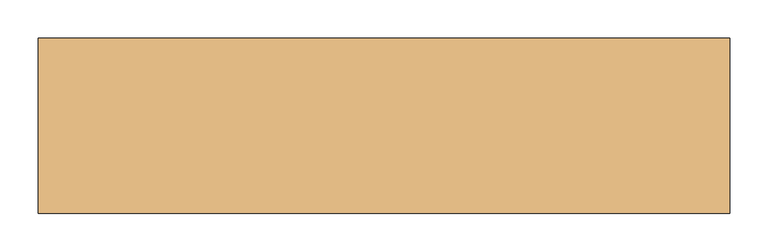
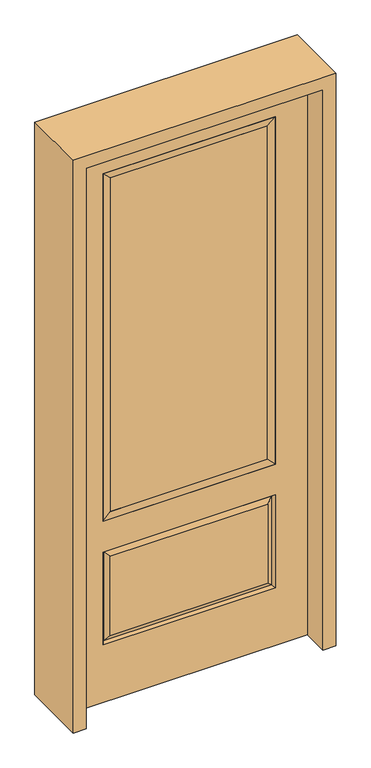
"""IFC4 building model written with IfcOpenShell, lengths in millimetres: door geometry."""

import ifcopenshell
import ifcopenshell.guid

model = None  # the IFC model being written
_history = None  # IfcOwnerHistory: only IFC2X3 demands one
_inside = {}  # id of a spatial element -> (the spatial element, [elements in it])
_under = {}  # id of a project, library or spatial element -> (it, [spatial elements below it])
_declared = {}  # id of a project -> (the project, [libraries it declares])
_typed = {}  # id of a type object -> (the type object, [elements of that type])
_made_of = {}  # id of a material, layer set ... -> (it, [elements and type objects made of it])


def new_model(schema):
    """Start an empty IFC model of exactly this schema.

    Asked for "IFC4X3", IfcOpenShell would pick the latest addendum, in which some entities
    have other attributes; the version numbers below select the first issue.
    IFC2X3 requires an IfcOwnerHistory on every rooted entity: one is made here for all.
    """
    global model, _history
    if schema == "IFC4X3":
        model = ifcopenshell.file(schema_version=(4, 3, 0, 0))
    else:
        model = ifcopenshell.file(schema=schema)
    _inside.clear()
    _under.clear()
    _declared.clear()
    _typed.clear()
    _made_of.clear()
    _history = None
    if model.schema == "IFC2X3":
        org = make("IfcOrganization", Name="unknown")
        user = make(
            "IfcPersonAndOrganization",
            ThePerson=make("IfcPerson", FamilyName="unknown"),
            TheOrganization=org,
        )
        app = make(
            "IfcApplication",
            ApplicationDeveloper=org,
            Version="unknown",
            ApplicationFullName="unknown",
            ApplicationIdentifier="unknown",
        )
        _history = make(
            "IfcOwnerHistory",
            OwningUser=user,
            OwningApplication=app,
            ChangeAction="ADDED",
            CreationDate=0,
        )
    return model


def make(cls, **values):
    """One entity of the class cls with the attributes given. An attribute that is None is left unset."""
    return model.create_entity(
        cls, **{name: value for name, value in values.items() if value is not None}
    )


def rooted(cls, **values):
    """An entity with a GlobalId (a new one), such as an element, a storey or a relation."""
    return make(cls, GlobalId=ifcopenshell.guid.new(), OwnerHistory=_history, **values)


def si_unit(unit_type, name, prefix=None):
    """IfcSIUnit, for example si_unit("LENGTHUNIT", "METRE", prefix="MILLI")."""
    return make("IfcSIUnit", UnitType=unit_type, Prefix=prefix, Name=name)


def assignment(units):
    """IfcUnitAssignment: the units of a project."""
    return None if units is None else make("IfcUnitAssignment", Units=units)


def point(xyz):
    """IfcCartesianPoint."""
    return None if xyz is None else make("IfcCartesianPoint", Coordinates=xyz)


def direction(xyz):
    """IfcDirection."""
    return None if xyz is None else make("IfcDirection", DirectionRatios=xyz)


def frame(location, z_axis=None, x_axis=None):
    """IfcAxis2Placement3D, a coordinate frame: its origin and axes. An axis left out is left unset."""
    return make(
        "IfcAxis2Placement3D",
        Location=point(location),
        Axis=direction(z_axis),
        RefDirection=direction(x_axis),
    )


def origin():
    """The frame at (0, 0, 0) with its axes left unset."""
    return frame((0.0, 0.0, 0.0))


def place(relative_to, where):
    """IfcLocalPlacement: puts the frame where relative to a parent placement (None: the world)."""
    return make(
        "IfcLocalPlacement", PlacementRelTo=relative_to, RelativePlacement=where
    )


def context(
    kind, dimensions, precision=None, world=None, true_north=None, identifier=None
):
    """IfcGeometricRepresentationContext, for example the 3D "Model" context."""
    return make(
        "IfcGeometricRepresentationContext",
        ContextIdentifier=identifier,
        ContextType=kind,
        CoordinateSpaceDimension=dimensions,
        Precision=precision,
        WorldCoordinateSystem=world,
        TrueNorth=true_north,
    )


def project(units=None, contexts=None):
    """IfcProject with its units and contexts."""
    return rooted(
        "IfcProject",
        Name="project",
        RepresentationContexts=contexts,
        UnitsInContext=assignment(units),
    )


def spatial(cls, under=None, at=None, **own):
    """A site, building, storey or space (cls), placed at a placement, below another one or the project."""
    s = rooted(cls, ObjectPlacement=at, **own)
    if under is not None:
        _under.setdefault(under.id(), (under, []))[1].append(s)
    return s


def polyline(points):
    """IfcPolyline through the points."""
    return make("IfcPolyline", Points=[point(p) for p in points])


def outline(outer, holes=None, kind="AREA"):
    """IfcArbitraryClosedProfileDef: a profile drawn as a closed curve; with holes, ...WithVoids."""
    if holes is None:
        return make("IfcArbitraryClosedProfileDef", ProfileType=kind, OuterCurve=outer)
    return make(
        "IfcArbitraryProfileDefWithVoids",
        ProfileType=kind,
        OuterCurve=outer,
        InnerCurves=holes,
    )


def extrude(swept, where, along, depth):
    """IfcExtrudedAreaSolid: the profile swept, set in the frame where, extruded along a direction by depth."""
    return make(
        "IfcExtrudedAreaSolid",
        SweptArea=swept,
        Position=where,
        ExtrudedDirection=direction(along),
        Depth=depth,
    )


def faces_of(points, faces, orient=None, outer=None):
    """IfcFace entities. A face is a list of loops; a loop is a list of indices into points, from 0.

    orient and outer hold one flag for each loop. By default every Orientation is true, the
    first loop of a face is its IfcFaceOuterBound and the others are IfcFaceBound.
    """
    made = []
    for i, loops in enumerate(faces):
        bounds = []
        for j, loop in enumerate(loops):
            is_outer = j == 0 if outer is None else outer[i][j]
            bounds.append(
                make(
                    "IfcFaceOuterBound" if is_outer else "IfcFaceBound",
                    Bound=make("IfcPolyLoop", Polygon=[points[k] for k in loop]),
                    Orientation=True if orient is None else orient[i][j],
                )
            )
        made.append(make("IfcFace", Bounds=bounds))
    return made


def faceted_brep(points, faces, orient=None, outer=None, voids=None):
    """IfcFacetedBrep: a solid bounded by flat faces; with voids (closed shells), ...WithVoids."""
    shared = [point(p) for p in points]
    hull = make("IfcClosedShell", CfsFaces=faces_of(shared, faces, orient, outer))
    if voids is None:
        return make("IfcFacetedBrep", Outer=hull)
    return make(
        "IfcFacetedBrepWithVoids",
        Outer=hull,
        Voids=[
            make(cls, CfsFaces=faces_of(shared, fs, o, b)) for cls, fs, o, b in voids
        ],
    )


def shape(context_of_items, identifier, shape_type, items):
    """IfcShapeRepresentation: the items that make up one representation, for example the "Body"."""
    return make(
        "IfcShapeRepresentation",
        ContextOfItems=context_of_items,
        RepresentationIdentifier=identifier,
        RepresentationType=shape_type,
        Items=items,
    )


def source(mapping_origin, context_of_items, identifier, shape_type, items):
    """IfcRepresentationMap: a shape defined once, which mapped items show again and again."""
    return make(
        "IfcRepresentationMap",
        MappingOrigin=mapping_origin,
        MappedRepresentation=shape(context_of_items, identifier, shape_type, items),
    )


def transform(
    local_origin,
    x_axis=None,
    y_axis=None,
    z_axis=None,
    scale=None,
    scale2=None,
    scale3=None,
    uniform=True,
):
    """IfcCartesianTransformationOperator3D, or its non-uniform kind. x_axis, y_axis, z_axis: its Axis1, 2, 3."""
    if uniform:
        return make(
            "IfcCartesianTransformationOperator3D",
            Axis1=direction(x_axis),
            Axis2=direction(y_axis),
            LocalOrigin=point(local_origin),
            Scale=scale,
            Axis3=direction(z_axis),
        )
    return make(
        "IfcCartesianTransformationOperator3DnonUniform",
        Axis1=direction(x_axis),
        Axis2=direction(y_axis),
        LocalOrigin=point(local_origin),
        Scale=scale,
        Axis3=direction(z_axis),
        Scale2=scale2,
        Scale3=scale3,
    )


def mapped(mapping_source, mapping_target):
    """IfcMappedItem: shows the shape of a source again, moved by a transform."""
    return make(
        "IfcMappedItem", MappingSource=mapping_source, MappingTarget=mapping_target
    )


def made_of(thing, what):
    """Note that an element or type object is made of a material, layer set ...; save() writes the relation."""
    if what is not None:
        _made_of.setdefault(what.id(), (what, []))[1].append(thing)
    return thing


def element(
    cls,
    number,
    at=None,
    inside=None,
    cuts=None,
    type_object=None,
    material=None,
    context=None,
    identifier="Body",
    shape_type=None,
    held_by="IfcProductDefinitionShape",
    body=None,
    shapes=None,
    **own,
):
    """One element of the class cls, such as IfcWall. Its Tag is "e" and its number.

    at: its placement. inside: the storey or other place that contains it. cuts: it is an
    opening in that element (IfcRelVoidsElement). A single representation is given by context,
    identifier, shape_type and body (its items); several are given by shapes. held_by: the class
    of the entity that holds the representations. save() writes the other relations.
    """
    e = rooted(cls, Tag="e%d" % number, ObjectPlacement=at, **own)
    if body is not None:
        shapes = [shape(context, identifier, shape_type, body)]
    if shapes is not None:
        e.Representation = make(held_by, Representations=shapes)
    if inside is not None:
        _inside.setdefault(inside.id(), (inside, []))[1].append(e)
    if cuts is not None:
        rooted(
            "IfcRelVoidsElement", RelatingBuildingElement=cuts, RelatedOpeningElement=e
        )
    if type_object is not None:
        _typed.setdefault(type_object.id(), (type_object, []))[1].append(e)
    return made_of(e, material)


def aggregate(whole, parts):
    """IfcRelAggregates: a whole, such as a stair, and the parts it consists of."""
    return rooted("IfcRelAggregates", RelatingObject=whole, RelatedObjects=parts)


def save(model, path):
    """Write the relations noted so far, then the file.

    IfcRelAggregates (storeys below a building ...), IfcRelContainedInSpatialStructure (elements
    in a storey), IfcRelDefinesByType, IfcRelAssociatesMaterial and IfcRelDeclares: one each for
    every whole, place, type object, material and project.
    """
    for whole, parts in _under.values():
        aggregate(whole, parts)
    for where, things in _inside.values():
        rooted(
            "IfcRelContainedInSpatialStructure",
            RelatedElements=things,
            RelatingStructure=where,
        )
    for kind, things in _typed.values():
        rooted("IfcRelDefinesByType", RelatedObjects=things, RelatingType=kind)
    for what, things in _made_of.values():
        rooted("IfcRelAssociatesMaterial", RelatedObjects=things, RelatingMaterial=what)
    for by, libraries in _declared.values():
        rooted("IfcRelDeclares", RelatingContext=by, RelatedDefinitions=libraries)
    model.write(path)


def door_391496ab(model_context):
    return source(origin(), model_context, "Body", "SolidModel", [
        faceted_brep([(-288.1661499, -12.7912373, 216.6588501), (288.1661499, -12.7912373, 216.6588501), (270.66875, -22.225, 234.15625), (-270.66875, -22.225, 234.15625), (-295.275, -22.225, 209.55), (295.275, -22.225, 209.55), (-288.1661499, -12.7912373, 538.9911499), (-295.275, -22.225, 546.1), (270.66875, -22.225, 521.49375), (-270.66875, -22.225, 521.49375), (406.4, -22.225, 2032.0), (-406.4, -22.225, 2032.0), (-406.4, -22.225, 0.0), (406.4, -22.225, 0.0), (295.275, -22.225, 546.1), (295.275, -22.225, 1917.7), (295.275, -22.225, 657.098), (-295.275, -22.225, 657.098), (-295.275, -22.225, 1917.7), (288.1661499, -12.7912373, 538.9911499), (-406.4, 22.225, 2032.0), (-406.4, 22.225, 0.0), (406.4, 22.225, 0.0), (406.4, 22.225, 2032.0), (295.275, 22.225, 1917.7), (295.275, 22.225, 657.098), (-295.275, 22.225, 657.098), (-295.275, 22.225, 1917.7), (-295.275, 22.225, 209.55), (295.275, 22.225, 209.55), (295.275, 22.225, 546.1), (-295.275, 22.225, 546.1), (270.66875, 22.225, 234.15625), (-270.66875, 22.225, 234.15625), (-270.66875, 22.225, 521.49375), (270.66875, 22.225, 521.49375), (-288.1661499, 12.7912373, 216.6588501), (288.1661499, 12.7912373, 216.6588501), (288.1661499, 12.7912373, 538.9911499), (-288.1661499, 12.7912373, 538.9911499)], [[[0, 1, 2, 3]], [[1, 0, 4, 5]], [[4, 0, 6, 7]], [[3, 2, 8, 9]], [[10, 11, 12, 13], [5, 4, 7, 14], [15, 16, 17, 18]], [[1, 5, 14, 19]], [[2, 1, 19, 8]], [[0, 3, 9, 6]], [[7, 6, 19, 14]], [[6, 9, 8, 19]], [[12, 11, 20, 21]], [[13, 12, 21, 22]], [[10, 13, 22, 23]], [[16, 15, 24, 25]], [[17, 16, 25, 26]], [[18, 17, 26, 27]], [[23, 22, 21, 20], [28, 29, 30, 31], [24, 27, 26, 25]], [[32, 33, 34, 35]], [[28, 36, 37, 29]], [[29, 37, 38, 30]], [[39, 31, 30, 38]], [[36, 28, 31, 39]], [[37, 36, 33, 32]], [[33, 36, 39, 34]], [[34, 39, 38, 35]], [[37, 32, 35, 38]], [[11, 10, 23, 20]], [[15, 18, 27, 24]]]),
        faceted_brep([(-295.275, -22.225, 1917.7), (-295.275, 22.225, 1917.7), (-295.275, 22.225, 657.098), (-295.275, -22.225, 657.098), (295.275, 22.225, 657.098), (295.275, -22.225, 657.098), (-269.875, 5.08, 682.498), (269.875, 5.08, 682.498), (295.275, 22.225, 1917.7), (295.275, -22.225, 1917.7), (-269.875, -20.32, 682.498), (269.875, -20.32, 682.498), (-269.875, -20.32, 1892.3), (269.875, -20.32, 1892.3), (-269.875, 5.08, 1892.3), (269.875, 5.08, 1892.3)], [[[0, 1, 2, 3]], [[3, 2, 4, 5]], [[2, 6, 7, 4]], [[5, 4, 8, 9]], [[10, 3, 5, 11]], [[12, 0, 3, 10]], [[11, 5, 9, 13]], [[6, 10, 11, 7]], [[14, 12, 10, 6]], [[7, 11, 13, 15]], [[1, 14, 6, 2]], [[4, 7, 15, 8]], [[9, 8, 1, 0]], [[13, 9, 0, 12]], [[15, 13, 12, 14]], [[8, 15, 14, 1]]]),
        extrude(outline(polyline([(269.875, -20.32), (-269.875, -20.32), (-269.875, 5.08), (269.875, 5.08), (269.875, -20.32)])), frame((0.0, 0.0, 682.498), z_axis=(0.0, 0.0, 1.0), x_axis=(1.0, 0.0, 0.0)), (0.0, 0.0, 1.0), 1209.802),
        extrude(outline(polyline([(2076.45, -450.85), (0.0, -450.85), (0.0, -406.4), (2032.0, -406.4), (2032.0, 406.4), (0.0, 406.4), (0.0, 450.85), (2076.45, 450.85), (2076.45, -450.85)])), frame((0.0, -114.3, 0.0), z_axis=(0.0, 1.0, 0.0), x_axis=(0.0, 0.0, 1.0)), (0.0, 0.0, 1.0), 228.6),
    ])


if __name__ == "__main__":
    model = new_model("IFC4")
    model_context = context("Model", 3, world=origin())
    ifc_project = project(units=[si_unit("LENGTHUNIT", "METRE", prefix="MILLI")], contexts=[model_context])
    site = spatial("IfcSite", under=ifc_project)
    building = spatial("IfcBuilding", under=site)
    placement = place(None, origin())
    door_shape = door_391496ab(model_context)
    element("IfcDoor", 1, at=placement, inside=building, context=model_context, shape_type="MappedRepresentation", body=[
        mapped(door_shape, transform((0.0, 0.0, 0.0), x_axis=(1.0, 0.0, 0.0), y_axis=(0.0, 1.0, 0.0), z_axis=(0.0, 0.0, 1.0))),
    ])
    save(model, "model.ifc")
